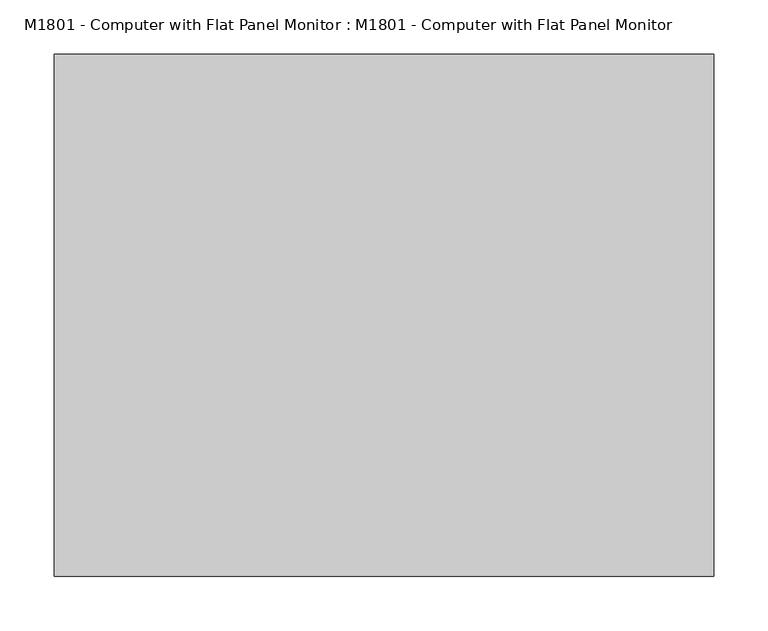
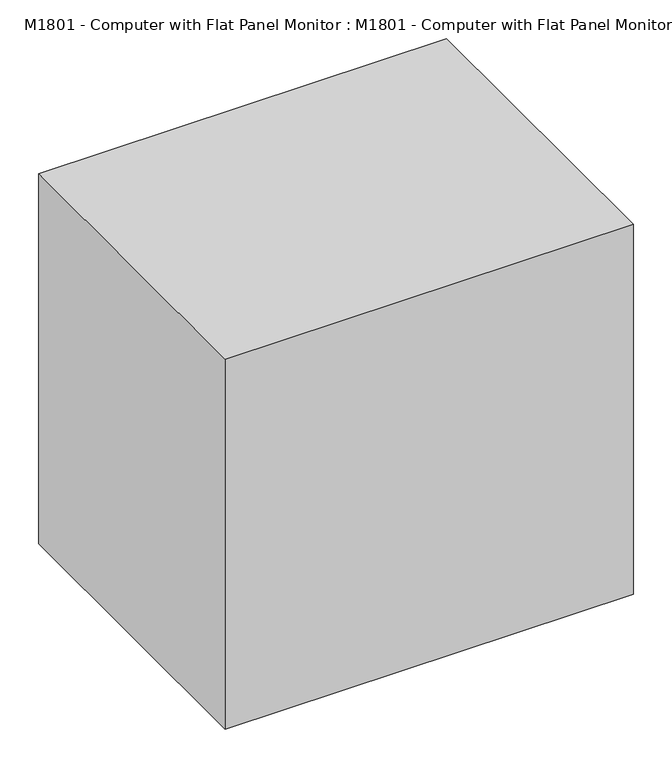
"""IFC4 building model written with IfcOpenShell, lengths in millimetres: proxy geometry, M1801 - Computer with Flat Panel Monitor : M1801 - Computer with Flat Panel Monitor."""

from ifc_helpers import new_model, si_unit, frame, origin, origin_with_axes, place, context, project, spatial, polyline, outline, extrude, faceted_brep, source, transform, mapped, element, save


def m1801_computer_with_flat_panel_monitor_m1801_computer_with_c47e5635(model_context):
    return source(origin(), model_context, "Body", "SolidModel", [
        faceted_brep([(241.3, 133.2656905, 431.8), (-241.3, 133.2656905, 431.8), (-241.3, 82.6343095, 431.8), (241.3, 82.6343095, 431.8), (241.3, 133.2656905, 152.4), (241.3, 82.6343095, 152.4), (-241.3, 82.6343095, 152.4), (-241.3, 133.2656905, 152.4), (-228.6, 82.6343095, 419.1), (228.6, 82.6343095, 419.1), (228.6, 82.6343095, 165.1), (-228.6, 82.6343095, 165.1), (228.6, 87.4205119, 419.1), (-228.6, 87.4205119, 419.1), (228.6, 87.4205119, 165.1), (-228.6, 87.4205119, 165.1)], [[[0, 1, 2, 3]], [[4, 5, 6, 7]], [[1, 0, 4, 7]], [[2, 1, 7, 6]], [[3, 2, 6, 5], [8, 9, 10, 11]], [[0, 3, 5, 4]], [[12, 9, 8, 13]], [[14, 15, 11, 10]], [[12, 13, 15, 14]], [[13, 8, 11, 15]], [[9, 12, 14, 10]]]),
        extrude(outline(polyline([(-215.9, 12.7), (-63.5, 25.4), (-63.5, 0.0), (-215.9, 0.0), (-215.9, 12.7)])), frame((-241.3, 0.0, 0.0), z_axis=(1.0, 0.0, 0.0), x_axis=(0.0, 1.0, 0.0)), (0.0, 0.0, 1.0), 482.6),
        faceted_brep([(147.2218395, 0.0, 25.4), (147.2218395, 0.0, 0.0), (147.2218395, 215.9, 0.0), (147.2218395, 215.9, 25.4), (-147.2218395, 215.9, 25.4), (-147.2218395, 215.9, 0.0), (-147.2218395, 0.0, 0.0), (-147.2218395, 0.0, 25.4), (36.9685686, 196.7656905, 31.75), (36.9685686, 196.7656905, 25.4), (-36.9685686, 196.7656905, 25.4), (-36.9685686, 196.7656905, 31.75), (36.9685686, 196.7656905, 292.1), (-36.9685686, 196.7656905, 292.1), (36.9685686, 133.2656905, 292.1), (-36.9685686, 133.2656905, 292.1), (36.9685686, 133.2656905, 241.3), (-36.9685686, 133.2656905, 241.3), (36.9685686, 171.3656905, 241.3), (-36.9685686, 171.3656905, 241.3), (36.9685686, 171.3656905, 25.4), (-36.9685686, 171.3656905, 25.4)], [[[0, 1, 2, 3]], [[4, 5, 6, 7]], [[8, 9, 10, 11]], [[12, 8, 11, 13]], [[14, 12, 13, 15]], [[16, 14, 15, 17]], [[18, 16, 17, 19]], [[20, 18, 19, 21]], [[0, 3, 4, 7], [9, 20, 21, 10]], [[1, 0, 7, 6]], [[2, 1, 6, 5]], [[3, 2, 5, 4]], [[20, 9, 8, 12, 14, 16, 18]], [[10, 21, 19, 17, 15, 13, 11]]]),
        extrude(outline(polyline([(304.8, 241.3), (304.8, -241.3), (-304.8, -241.3), (-304.8, 241.3), (304.8, 241.3)])), origin_with_axes(), (0.0, 0.0, 1.0), 584.2),
    ])


if __name__ == "__main__":
    model = new_model("IFC4")
    model_context = context("Model", 3, world=origin())
    ifc_project = project(units=[si_unit("LENGTHUNIT", "METRE", prefix="MILLI")], contexts=[model_context])
    site = spatial("IfcSite", under=ifc_project)
    building = spatial("IfcBuilding", under=site)
    placement = place(None, origin())
    m1801_computer_with_flat_panel_monitor_m1801_computer_with_shape = m1801_computer_with_flat_panel_monitor_m1801_computer_with_c47e5635(model_context)
    element("IfcBuildingElementProxy", 1, Name="M1801 - Computer with Flat Panel Monitor : M1801 - Computer with Flat Panel Monitor", ObjectType="M1801 - Computer with Flat Panel Monitor : M1801 - Computer with Flat Panel Monitor", at=placement, inside=building, context=model_context, shape_type="MappedRepresentation", body=[
        mapped(m1801_computer_with_flat_panel_monitor_m1801_computer_with_shape, transform((0.0, 0.0, 0.0), x_axis=(1.0, 0.0, 0.0), y_axis=(0.0, 1.0, 0.0), z_axis=(0.0, 0.0, 1.0))),
    ])
    save(model, "model.ifc")
